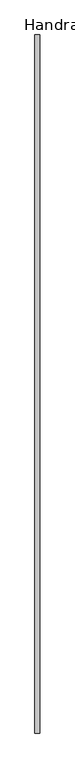
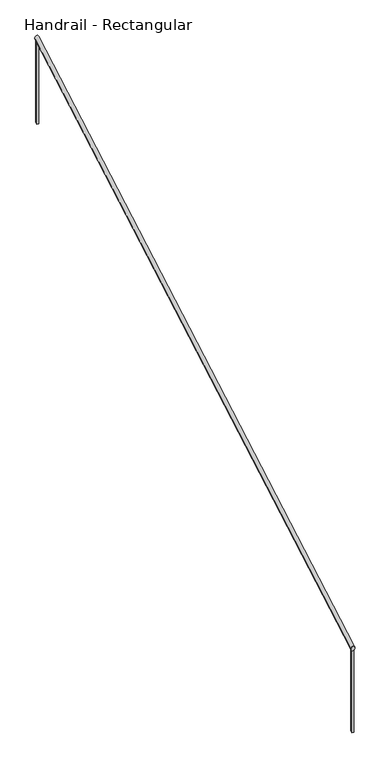
"""IFC4 building model written with IfcOpenShell, lengths in millimetres: railing geometry, Handrail - Rectangular."""

from ifc_helpers import new_model, si_unit, frame, origin, place, context, project, spatial, polyline, ellipse_curve, outline, extrude, source, transform, mapped, element, save
from ifc_brep_helpers import plane_surface, cylinder_surface, advanced_brep


def handrail_rectangular_978f1cab(model_context):
    return source(origin(), model_context, "Body", "SolidModel", [
        advanced_brep(
        [(6979.2371269, -12423.0554662, 1063.8877128), (6941.1371269, -12423.0554662, 1063.8877128), (6979.2371269, -7023.0554662, 4149.6019986), (6941.1371269, -7023.0554662, 4149.6019986)],
        [
            (0, 1, ellipse_curve(frame((6960.1871269, -12423.0554662, 1063.8877128), z_axis=(0.0, -1.0, 0.0), x_axis=(0.0, 0.0, -1.0)), 21.9408586, 19.05)),
            (1, 0, ellipse_curve(frame((6960.1871269, -12423.0554662, 1063.8877128), z_axis=(0.0, -1.0, 0.0), x_axis=(0.0, 0.0, -1.0)), 21.9408586, 19.05)),
            (2, 3, ellipse_curve(frame((6960.1871269, -7023.0554662, 4149.6019986), z_axis=(0.0, 1.0, 0.0), x_axis=(0.0, 0.0, -1.0)), 21.9408586, 19.05)),
            (3, 2, ellipse_curve(frame((6960.1871269, -7023.0554662, 4149.6019986), z_axis=(0.0, 1.0, 0.0), x_axis=(0.0, 0.0, -1.0)), 21.9408586, 19.05)),
            (0, 2),
            (3, 1),
        ],
        [
            plane_surface(frame((6960.1871269, -12423.0554662, 1085.8285714), z_axis=(0.0, -1.0, 0.0), x_axis=(0.0, 0.0, 1.0))),
            plane_surface(frame((6960.1871269, -7023.0554662, 4171.5428571), z_axis=(0.0, 1.0, 0.0), x_axis=(0.0, 0.0, 1.0))),
            cylinder_surface(frame((6960.1871269, -12413.6040195, 1069.2885396), z_axis=(0.0, -0.8682431421244597, -0.49613893835683287), x_axis=(-1.0, 0.0, 0.0)), 19.05),
        ],
        [
            (0, [[1, 2]]),
            (1, [[3, 4]]),
            (2, [[-1, 5, -4, 6]]),
            (2, [[-2, -6, -3, -5]]),
        ],
    ),
        extrude(outline(polyline([(-7023.0304662, 4127.6754257), (-7023.0304662, 3274.5995292), (-7042.0804662, 3263.7138149), (-7042.0804662, 4116.7897114), (-7023.0304662, 4127.6754257)])), frame((6950.6621269, 0.0, 0.0), z_axis=(1.0, 0.0, 0.0), x_axis=(0.0, 1.0, 0.0)), (0.0, 0.0, 1.0), 19.05),
        extrude(outline(polyline([(-12404.0304662, 1052.8182828), (-12404.0304662, 199.7423864), (-12423.0804662, 188.8566721), (-12423.0804662, 1041.9325685), (-12404.0304662, 1052.8182828)])), frame((6950.6621269, 0.0, 0.0), z_axis=(1.0, 0.0, 0.0), x_axis=(0.0, 1.0, 0.0)), (0.0, 0.0, 1.0), 19.05),
    ])


if __name__ == "__main__":
    model = new_model("IFC4")
    model_context = context("Model", 3, world=origin())
    ifc_project = project(units=[si_unit("LENGTHUNIT", "METRE", prefix="MILLI")], contexts=[model_context])
    site = spatial("IfcSite", under=ifc_project)
    building = spatial("IfcBuilding", under=site)
    placement = place(None, origin())
    handrail_rectangular_shape = handrail_rectangular_978f1cab(model_context)
    element("IfcRailing", 1, ObjectType="Handrail - Rectangular", at=placement, inside=building, context=model_context, shape_type="MappedRepresentation", body=[
        mapped(handrail_rectangular_shape, transform((0.0, 0.0, 0.0), x_axis=(1.0, 0.0, 0.0), y_axis=(0.0, 1.0, 0.0), z_axis=(0.0, 0.0, 1.0))),
    ])
    save(model, "model.ifc")
